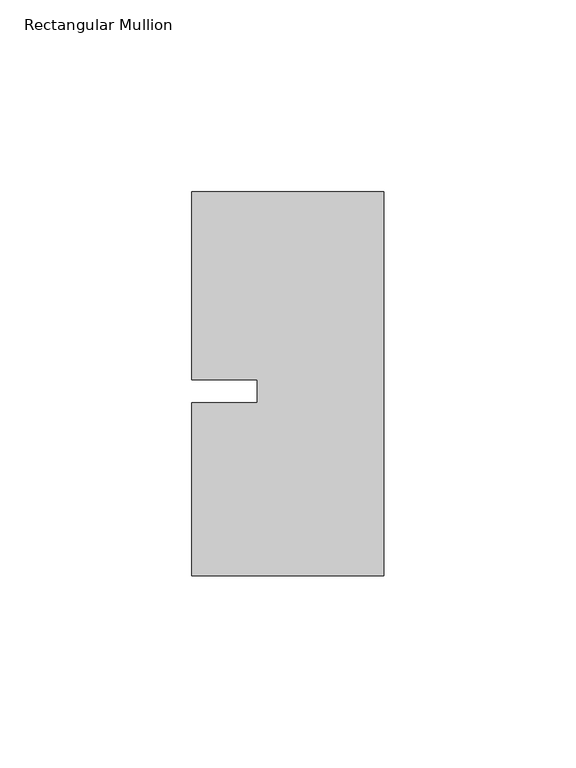
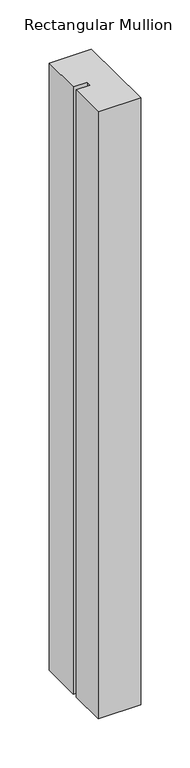
"""IFC4 building model written with IfcOpenShell, lengths in millimetres: member geometry, Rectangular Mullion."""

import ifcopenshell
import ifcopenshell.guid

model = None  # the IFC model being written
_history = None  # IfcOwnerHistory: only IFC2X3 demands one
_inside = {}  # id of a spatial element -> (the spatial element, [elements in it])
_under = {}  # id of a project, library or spatial element -> (it, [spatial elements below it])
_declared = {}  # id of a project -> (the project, [libraries it declares])
_typed = {}  # id of a type object -> (the type object, [elements of that type])
_made_of = {}  # id of a material, layer set ... -> (it, [elements and type objects made of it])


def new_model(schema):
    """Start an empty IFC model of exactly this schema.

    Asked for "IFC4X3", IfcOpenShell would pick the latest addendum, in which some entities
    have other attributes; the version numbers below select the first issue.
    IFC2X3 requires an IfcOwnerHistory on every rooted entity: one is made here for all.
    """
    global model, _history
    if schema == "IFC4X3":
        model = ifcopenshell.file(schema_version=(4, 3, 0, 0))
    else:
        model = ifcopenshell.file(schema=schema)
    _inside.clear()
    _under.clear()
    _declared.clear()
    _typed.clear()
    _made_of.clear()
    _history = None
    if model.schema == "IFC2X3":
        org = make("IfcOrganization", Name="unknown")
        user = make(
            "IfcPersonAndOrganization",
            ThePerson=make("IfcPerson", FamilyName="unknown"),
            TheOrganization=org,
        )
        app = make(
            "IfcApplication",
            ApplicationDeveloper=org,
            Version="unknown",
            ApplicationFullName="unknown",
            ApplicationIdentifier="unknown",
        )
        _history = make(
            "IfcOwnerHistory",
            OwningUser=user,
            OwningApplication=app,
            ChangeAction="ADDED",
            CreationDate=0,
        )
    return model


def make(cls, **values):
    """One entity of the class cls with the attributes given. An attribute that is None is left unset."""
    return model.create_entity(
        cls, **{name: value for name, value in values.items() if value is not None}
    )


def rooted(cls, **values):
    """An entity with a GlobalId (a new one), such as an element, a storey or a relation."""
    return make(cls, GlobalId=ifcopenshell.guid.new(), OwnerHistory=_history, **values)


def si_unit(unit_type, name, prefix=None):
    """IfcSIUnit, for example si_unit("LENGTHUNIT", "METRE", prefix="MILLI")."""
    return make("IfcSIUnit", UnitType=unit_type, Prefix=prefix, Name=name)


def assignment(units):
    """IfcUnitAssignment: the units of a project."""
    return None if units is None else make("IfcUnitAssignment", Units=units)


def point(xyz):
    """IfcCartesianPoint."""
    return None if xyz is None else make("IfcCartesianPoint", Coordinates=xyz)


def direction(xyz):
    """IfcDirection."""
    return None if xyz is None else make("IfcDirection", DirectionRatios=xyz)


def frame(location, z_axis=None, x_axis=None):
    """IfcAxis2Placement3D, a coordinate frame: its origin and axes. An axis left out is left unset."""
    return make(
        "IfcAxis2Placement3D",
        Location=point(location),
        Axis=direction(z_axis),
        RefDirection=direction(x_axis),
    )


def origin():
    """The frame at (0, 0, 0) with its axes left unset."""
    return frame((0.0, 0.0, 0.0))


def place(relative_to, where):
    """IfcLocalPlacement: puts the frame where relative to a parent placement (None: the world)."""
    return make(
        "IfcLocalPlacement", PlacementRelTo=relative_to, RelativePlacement=where
    )


def context(
    kind, dimensions, precision=None, world=None, true_north=None, identifier=None
):
    """IfcGeometricRepresentationContext, for example the 3D "Model" context."""
    return make(
        "IfcGeometricRepresentationContext",
        ContextIdentifier=identifier,
        ContextType=kind,
        CoordinateSpaceDimension=dimensions,
        Precision=precision,
        WorldCoordinateSystem=world,
        TrueNorth=true_north,
    )


def project(units=None, contexts=None):
    """IfcProject with its units and contexts."""
    return rooted(
        "IfcProject",
        Name="project",
        RepresentationContexts=contexts,
        UnitsInContext=assignment(units),
    )


def spatial(cls, under=None, at=None, **own):
    """A site, building, storey or space (cls), placed at a placement, below another one or the project."""
    s = rooted(cls, ObjectPlacement=at, **own)
    if under is not None:
        _under.setdefault(under.id(), (under, []))[1].append(s)
    return s


def polyline(points):
    """IfcPolyline through the points."""
    return make("IfcPolyline", Points=[point(p) for p in points])


def outline(outer, holes=None, kind="AREA"):
    """IfcArbitraryClosedProfileDef: a profile drawn as a closed curve; with holes, ...WithVoids."""
    if holes is None:
        return make("IfcArbitraryClosedProfileDef", ProfileType=kind, OuterCurve=outer)
    return make(
        "IfcArbitraryProfileDefWithVoids",
        ProfileType=kind,
        OuterCurve=outer,
        InnerCurves=holes,
    )


def extrude(swept, where, along, depth):
    """IfcExtrudedAreaSolid: the profile swept, set in the frame where, extruded along a direction by depth."""
    return make(
        "IfcExtrudedAreaSolid",
        SweptArea=swept,
        Position=where,
        ExtrudedDirection=direction(along),
        Depth=depth,
    )


def shape(context_of_items, identifier, shape_type, items):
    """IfcShapeRepresentation: the items that make up one representation, for example the "Body"."""
    return make(
        "IfcShapeRepresentation",
        ContextOfItems=context_of_items,
        RepresentationIdentifier=identifier,
        RepresentationType=shape_type,
        Items=items,
    )


def source(mapping_origin, context_of_items, identifier, shape_type, items):
    """IfcRepresentationMap: a shape defined once, which mapped items show again and again."""
    return make(
        "IfcRepresentationMap",
        MappingOrigin=mapping_origin,
        MappedRepresentation=shape(context_of_items, identifier, shape_type, items),
    )


def transform(
    local_origin,
    x_axis=None,
    y_axis=None,
    z_axis=None,
    scale=None,
    scale2=None,
    scale3=None,
    uniform=True,
):
    """IfcCartesianTransformationOperator3D, or its non-uniform kind. x_axis, y_axis, z_axis: its Axis1, 2, 3."""
    if uniform:
        return make(
            "IfcCartesianTransformationOperator3D",
            Axis1=direction(x_axis),
            Axis2=direction(y_axis),
            LocalOrigin=point(local_origin),
            Scale=scale,
            Axis3=direction(z_axis),
        )
    return make(
        "IfcCartesianTransformationOperator3DnonUniform",
        Axis1=direction(x_axis),
        Axis2=direction(y_axis),
        LocalOrigin=point(local_origin),
        Scale=scale,
        Axis3=direction(z_axis),
        Scale2=scale2,
        Scale3=scale3,
    )


def mapped(mapping_source, mapping_target):
    """IfcMappedItem: shows the shape of a source again, moved by a transform."""
    return make(
        "IfcMappedItem", MappingSource=mapping_source, MappingTarget=mapping_target
    )


def made_of(thing, what):
    """Note that an element or type object is made of a material, layer set ...; save() writes the relation."""
    if what is not None:
        _made_of.setdefault(what.id(), (what, []))[1].append(thing)
    return thing


def element(
    cls,
    number,
    at=None,
    inside=None,
    cuts=None,
    type_object=None,
    material=None,
    context=None,
    identifier="Body",
    shape_type=None,
    held_by="IfcProductDefinitionShape",
    body=None,
    shapes=None,
    **own,
):
    """One element of the class cls, such as IfcWall. Its Tag is "e" and its number.

    at: its placement. inside: the storey or other place that contains it. cuts: it is an
    opening in that element (IfcRelVoidsElement). A single representation is given by context,
    identifier, shape_type and body (its items); several are given by shapes. held_by: the class
    of the entity that holds the representations. save() writes the other relations.
    """
    e = rooted(cls, Tag="e%d" % number, ObjectPlacement=at, **own)
    if body is not None:
        shapes = [shape(context, identifier, shape_type, body)]
    if shapes is not None:
        e.Representation = make(held_by, Representations=shapes)
    if inside is not None:
        _inside.setdefault(inside.id(), (inside, []))[1].append(e)
    if cuts is not None:
        rooted(
            "IfcRelVoidsElement", RelatingBuildingElement=cuts, RelatedOpeningElement=e
        )
    if type_object is not None:
        _typed.setdefault(type_object.id(), (type_object, []))[1].append(e)
    return made_of(e, material)


def aggregate(whole, parts):
    """IfcRelAggregates: a whole, such as a stair, and the parts it consists of."""
    return rooted("IfcRelAggregates", RelatingObject=whole, RelatedObjects=parts)


def save(model, path):
    """Write the relations noted so far, then the file.

    IfcRelAggregates (storeys below a building ...), IfcRelContainedInSpatialStructure (elements
    in a storey), IfcRelDefinesByType, IfcRelAssociatesMaterial and IfcRelDeclares: one each for
    every whole, place, type object, material and project.
    """
    for whole, parts in _under.values():
        aggregate(whole, parts)
    for where, things in _inside.values():
        rooted(
            "IfcRelContainedInSpatialStructure",
            RelatedElements=things,
            RelatingStructure=where,
        )
    for kind, things in _typed.values():
        rooted("IfcRelDefinesByType", RelatedObjects=things, RelatingType=kind)
    for what, things in _made_of.values():
        rooted("IfcRelAssociatesMaterial", RelatedObjects=things, RelatingMaterial=what)
    for by, libraries in _declared.values():
        rooted("IfcRelDeclares", RelatingContext=by, RelatedDefinitions=libraries)
    model.write(path)


def rectangular_mullion_e5f16ccf(model_context):
    return source(origin(), model_context, "Body", "SweptSolid", [
        extrude(outline(polyline([(-33.0004407, -3.0000086), (-33.0004379, 3.0000086), (-49.9999762, 3.0000166), (-49.9999534, 51.9999993), (0.0, 51.9999711), (0.0, -48.000024), (-50.0, -48.0000007), (-49.999979, -3.0000007), (-33.0004407, -3.0000086)])), frame((0.0, 0.0, -755.7899121), z_axis=(0.0, 0.0, 1.0), x_axis=(1.0, 0.0, 0.0)), (0.0, 0.0, 1.0), 755.7899121),
    ])


if __name__ == "__main__":
    model = new_model("IFC4")
    model_context = context("Model", 3, world=origin())
    ifc_project = project(units=[si_unit("LENGTHUNIT", "METRE", prefix="MILLI")], contexts=[model_context])
    site = spatial("IfcSite", under=ifc_project)
    building = spatial("IfcBuilding", under=site)
    placement = place(None, origin())
    rectangular_mullion_shape = rectangular_mullion_e5f16ccf(model_context)
    element("IfcMember", 1, ObjectType="Rectangular Mullion", at=placement, inside=building, context=model_context, shape_type="MappedRepresentation", body=[
        mapped(rectangular_mullion_shape, transform((0.0, 0.0, 0.0), x_axis=(1.0, 0.0, 0.0), y_axis=(0.0, 1.0, 0.0), z_axis=(0.0, 0.0, 1.0))),
    ])
    save(model, "model.ifc")
